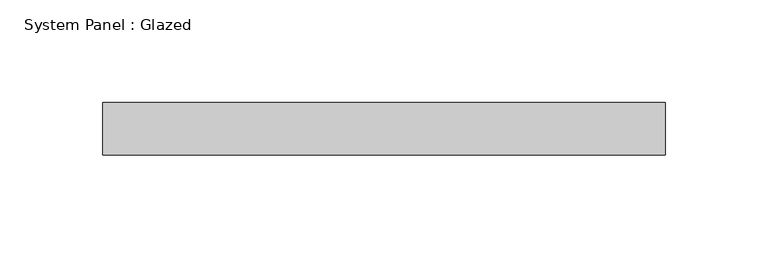
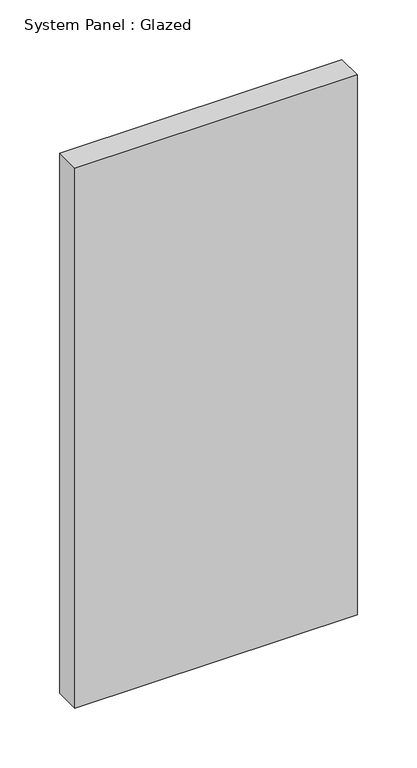
"""IFC4 building model written with IfcOpenShell, lengths in millimetres: plate geometry, System Panel : Glazed."""

from ifc_helpers import new_model, si_unit, origin, origin_with_axes, place, context, project, spatial, polyline, outline, extrude, source, transform, mapped, element, save


def system_panel_glazed_4c48c2cc(model_context):
    return source(origin(), model_context, "Body", "SweptSolid", [
        extrude(outline(polyline([(136.525, -12.7), (-136.525, -12.7), (-136.525, 12.7), (136.525, 12.7), (136.525, -12.7)])), origin_with_axes(), (0.0, 0.0, 1.0), 552.45),
    ])


if __name__ == "__main__":
    model = new_model("IFC4")
    model_context = context("Model", 3, world=origin())
    ifc_project = project(units=[si_unit("LENGTHUNIT", "METRE", prefix="MILLI")], contexts=[model_context])
    site = spatial("IfcSite", under=ifc_project)
    building = spatial("IfcBuilding", under=site)
    placement = place(None, origin())
    system_panel_glazed_shape = system_panel_glazed_4c48c2cc(model_context)
    element("IfcPlate", 1, ObjectType="System Panel : Glazed", at=placement, inside=building, context=model_context, shape_type="MappedRepresentation", body=[
        mapped(system_panel_glazed_shape, transform((0.0, 0.0, 0.0), x_axis=(1.0, 0.0, 0.0), y_axis=(0.0, 1.0, 0.0), z_axis=(0.0, 0.0, 1.0))),
    ])
    save(model, "model.ifc")
